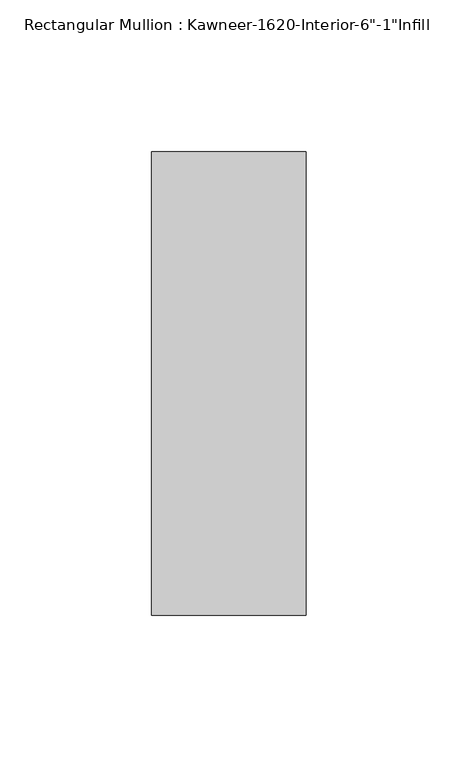
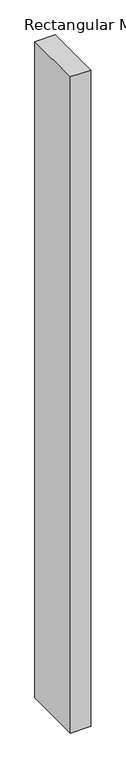
"""IFC4 building model written with IfcOpenShell, lengths in millimetres: member geometry."""

import ifcopenshell
import ifcopenshell.guid

model = None  # the IFC model being written
_history = None  # IfcOwnerHistory: only IFC2X3 demands one
_inside = {}  # id of a spatial element -> (the spatial element, [elements in it])
_under = {}  # id of a project, library or spatial element -> (it, [spatial elements below it])
_declared = {}  # id of a project -> (the project, [libraries it declares])
_typed = {}  # id of a type object -> (the type object, [elements of that type])
_made_of = {}  # id of a material, layer set ... -> (it, [elements and type objects made of it])


def new_model(schema):
    """Start an empty IFC model of exactly this schema.

    Asked for "IFC4X3", IfcOpenShell would pick the latest addendum, in which some entities
    have other attributes; the version numbers below select the first issue.
    IFC2X3 requires an IfcOwnerHistory on every rooted entity: one is made here for all.
    """
    global model, _history
    if schema == "IFC4X3":
        model = ifcopenshell.file(schema_version=(4, 3, 0, 0))
    else:
        model = ifcopenshell.file(schema=schema)
    _inside.clear()
    _under.clear()
    _declared.clear()
    _typed.clear()
    _made_of.clear()
    _history = None
    if model.schema == "IFC2X3":
        org = make("IfcOrganization", Name="unknown")
        user = make(
            "IfcPersonAndOrganization",
            ThePerson=make("IfcPerson", FamilyName="unknown"),
            TheOrganization=org,
        )
        app = make(
            "IfcApplication",
            ApplicationDeveloper=org,
            Version="unknown",
            ApplicationFullName="unknown",
            ApplicationIdentifier="unknown",
        )
        _history = make(
            "IfcOwnerHistory",
            OwningUser=user,
            OwningApplication=app,
            ChangeAction="ADDED",
            CreationDate=0,
        )
    return model


def make(cls, **values):
    """One entity of the class cls with the attributes given. An attribute that is None is left unset."""
    return model.create_entity(
        cls, **{name: value for name, value in values.items() if value is not None}
    )


def rooted(cls, **values):
    """An entity with a GlobalId (a new one), such as an element, a storey or a relation."""
    return make(cls, GlobalId=ifcopenshell.guid.new(), OwnerHistory=_history, **values)


def si_unit(unit_type, name, prefix=None):
    """IfcSIUnit, for example si_unit("LENGTHUNIT", "METRE", prefix="MILLI")."""
    return make("IfcSIUnit", UnitType=unit_type, Prefix=prefix, Name=name)


def assignment(units):
    """IfcUnitAssignment: the units of a project."""
    return None if units is None else make("IfcUnitAssignment", Units=units)


def point(xyz):
    """IfcCartesianPoint."""
    return None if xyz is None else make("IfcCartesianPoint", Coordinates=xyz)


def direction(xyz):
    """IfcDirection."""
    return None if xyz is None else make("IfcDirection", DirectionRatios=xyz)


def frame(location, z_axis=None, x_axis=None):
    """IfcAxis2Placement3D, a coordinate frame: its origin and axes. An axis left out is left unset."""
    return make(
        "IfcAxis2Placement3D",
        Location=point(location),
        Axis=direction(z_axis),
        RefDirection=direction(x_axis),
    )


def origin():
    """The frame at (0, 0, 0) with its axes left unset."""
    return frame((0.0, 0.0, 0.0))


def place(relative_to, where):
    """IfcLocalPlacement: puts the frame where relative to a parent placement (None: the world)."""
    return make(
        "IfcLocalPlacement", PlacementRelTo=relative_to, RelativePlacement=where
    )


def context(
    kind, dimensions, precision=None, world=None, true_north=None, identifier=None
):
    """IfcGeometricRepresentationContext, for example the 3D "Model" context."""
    return make(
        "IfcGeometricRepresentationContext",
        ContextIdentifier=identifier,
        ContextType=kind,
        CoordinateSpaceDimension=dimensions,
        Precision=precision,
        WorldCoordinateSystem=world,
        TrueNorth=true_north,
    )


def project(units=None, contexts=None):
    """IfcProject with its units and contexts."""
    return rooted(
        "IfcProject",
        Name="project",
        RepresentationContexts=contexts,
        UnitsInContext=assignment(units),
    )


def spatial(cls, under=None, at=None, **own):
    """A site, building, storey or space (cls), placed at a placement, below another one or the project."""
    s = rooted(cls, ObjectPlacement=at, **own)
    if under is not None:
        _under.setdefault(under.id(), (under, []))[1].append(s)
    return s


def polyline(points):
    """IfcPolyline through the points."""
    return make("IfcPolyline", Points=[point(p) for p in points])


def outline(outer, holes=None, kind="AREA"):
    """IfcArbitraryClosedProfileDef: a profile drawn as a closed curve; with holes, ...WithVoids."""
    if holes is None:
        return make("IfcArbitraryClosedProfileDef", ProfileType=kind, OuterCurve=outer)
    return make(
        "IfcArbitraryProfileDefWithVoids",
        ProfileType=kind,
        OuterCurve=outer,
        InnerCurves=holes,
    )


def extrude(swept, where, along, depth):
    """IfcExtrudedAreaSolid: the profile swept, set in the frame where, extruded along a direction by depth."""
    return make(
        "IfcExtrudedAreaSolid",
        SweptArea=swept,
        Position=where,
        ExtrudedDirection=direction(along),
        Depth=depth,
    )


def shape(context_of_items, identifier, shape_type, items):
    """IfcShapeRepresentation: the items that make up one representation, for example the "Body"."""
    return make(
        "IfcShapeRepresentation",
        ContextOfItems=context_of_items,
        RepresentationIdentifier=identifier,
        RepresentationType=shape_type,
        Items=items,
    )


def source(mapping_origin, context_of_items, identifier, shape_type, items):
    """IfcRepresentationMap: a shape defined once, which mapped items show again and again."""
    return make(
        "IfcRepresentationMap",
        MappingOrigin=mapping_origin,
        MappedRepresentation=shape(context_of_items, identifier, shape_type, items),
    )


def transform(
    local_origin,
    x_axis=None,
    y_axis=None,
    z_axis=None,
    scale=None,
    scale2=None,
    scale3=None,
    uniform=True,
):
    """IfcCartesianTransformationOperator3D, or its non-uniform kind. x_axis, y_axis, z_axis: its Axis1, 2, 3."""
    if uniform:
        return make(
            "IfcCartesianTransformationOperator3D",
            Axis1=direction(x_axis),
            Axis2=direction(y_axis),
            LocalOrigin=point(local_origin),
            Scale=scale,
            Axis3=direction(z_axis),
        )
    return make(
        "IfcCartesianTransformationOperator3DnonUniform",
        Axis1=direction(x_axis),
        Axis2=direction(y_axis),
        LocalOrigin=point(local_origin),
        Scale=scale,
        Axis3=direction(z_axis),
        Scale2=scale2,
        Scale3=scale3,
    )


def mapped(mapping_source, mapping_target):
    """IfcMappedItem: shows the shape of a source again, moved by a transform."""
    return make(
        "IfcMappedItem", MappingSource=mapping_source, MappingTarget=mapping_target
    )


def made_of(thing, what):
    """Note that an element or type object is made of a material, layer set ...; save() writes the relation."""
    if what is not None:
        _made_of.setdefault(what.id(), (what, []))[1].append(thing)
    return thing


def element(
    cls,
    number,
    at=None,
    inside=None,
    cuts=None,
    type_object=None,
    material=None,
    context=None,
    identifier="Body",
    shape_type=None,
    held_by="IfcProductDefinitionShape",
    body=None,
    shapes=None,
    **own,
):
    """One element of the class cls, such as IfcWall. Its Tag is "e" and its number.

    at: its placement. inside: the storey or other place that contains it. cuts: it is an
    opening in that element (IfcRelVoidsElement). A single representation is given by context,
    identifier, shape_type and body (its items); several are given by shapes. held_by: the class
    of the entity that holds the representations. save() writes the other relations.
    """
    e = rooted(cls, Tag="e%d" % number, ObjectPlacement=at, **own)
    if body is not None:
        shapes = [shape(context, identifier, shape_type, body)]
    if shapes is not None:
        e.Representation = make(held_by, Representations=shapes)
    if inside is not None:
        _inside.setdefault(inside.id(), (inside, []))[1].append(e)
    if cuts is not None:
        rooted(
            "IfcRelVoidsElement", RelatingBuildingElement=cuts, RelatedOpeningElement=e
        )
    if type_object is not None:
        _typed.setdefault(type_object.id(), (type_object, []))[1].append(e)
    return made_of(e, material)


def aggregate(whole, parts):
    """IfcRelAggregates: a whole, such as a stair, and the parts it consists of."""
    return rooted("IfcRelAggregates", RelatingObject=whole, RelatedObjects=parts)


def save(model, path):
    """Write the relations noted so far, then the file.

    IfcRelAggregates (storeys below a building ...), IfcRelContainedInSpatialStructure (elements
    in a storey), IfcRelDefinesByType, IfcRelAssociatesMaterial and IfcRelDeclares: one each for
    every whole, place, type object, material and project.
    """
    for whole, parts in _under.values():
        aggregate(whole, parts)
    for where, things in _inside.values():
        rooted(
            "IfcRelContainedInSpatialStructure",
            RelatedElements=things,
            RelatingStructure=where,
        )
    for kind, things in _typed.values():
        rooted("IfcRelDefinesByType", RelatedObjects=things, RelatingType=kind)
    for what, things in _made_of.values():
        rooted("IfcRelAssociatesMaterial", RelatedObjects=things, RelatingMaterial=what)
    for by, libraries in _declared.values():
        rooted("IfcRelDeclares", RelatingContext=by, RelatedDefinitions=libraries)
    model.write(path)


def member_fcd13dd5(model_context):
    return source(origin(), model_context, "Body", "SweptSolid", [
        extrude(outline(polyline([(25.4, 114.3), (25.4, -38.1), (-25.4, -38.1), (-25.4, 114.3), (25.4, 114.3)])), frame((0.0, 0.0, -1720.85), z_axis=(0.0, 0.0, 1.0), x_axis=(1.0, 0.0, 0.0)), (0.0, 0.0, 1.0), 1720.85),
    ])


if __name__ == "__main__":
    model = new_model("IFC4")
    model_context = context("Model", 3, world=origin())
    ifc_project = project(units=[si_unit("LENGTHUNIT", "METRE", prefix="MILLI")], contexts=[model_context])
    site = spatial("IfcSite", under=ifc_project)
    building = spatial("IfcBuilding", under=site)
    placement = place(None, origin())
    member_shape = member_fcd13dd5(model_context)
    element("IfcMember", 1, ObjectType="Rectangular Mullion : Kawneer-1620-Interior-6\"-1\"Infill", at=placement, inside=building, context=model_context, shape_type="MappedRepresentation", body=[
        mapped(member_shape, transform((0.0, 0.0, 0.0), x_axis=(1.0, 0.0, 0.0), y_axis=(0.0, 1.0, 0.0), z_axis=(0.0, 0.0, 1.0))),
    ])
    save(model, "model.ifc")
